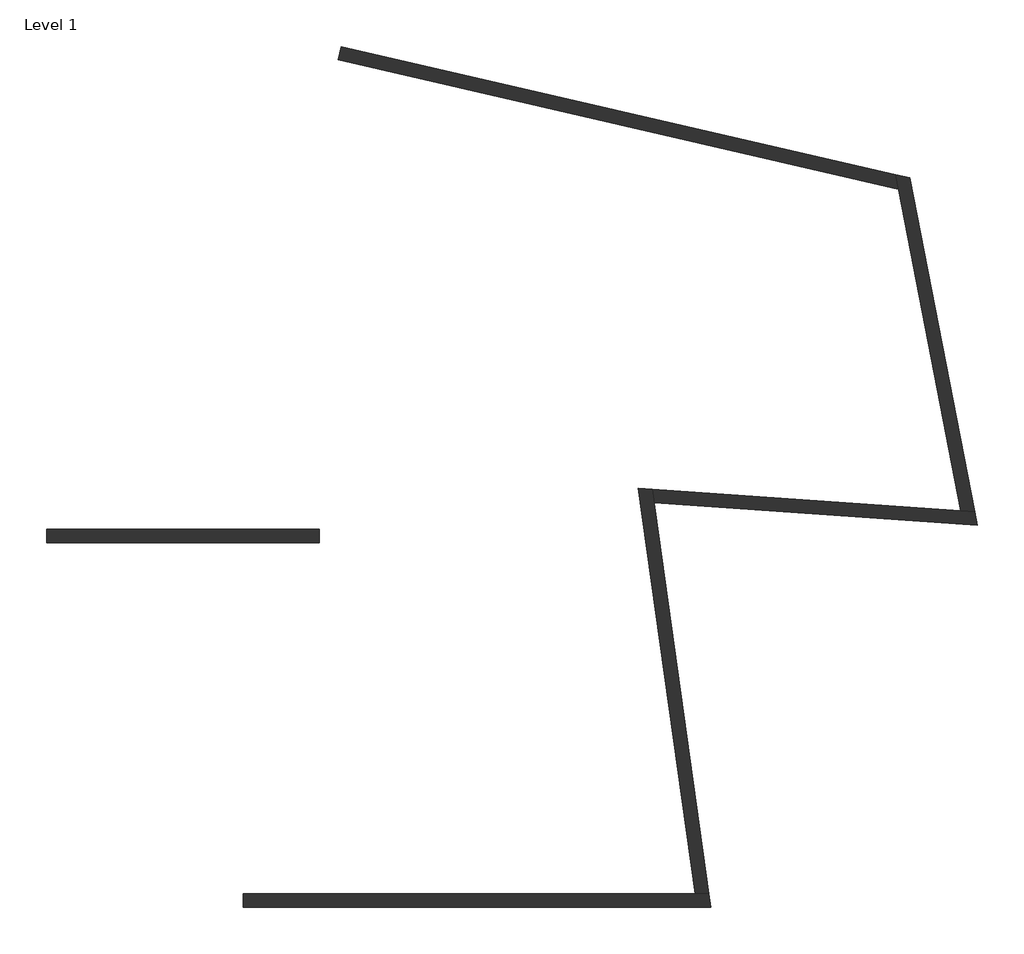
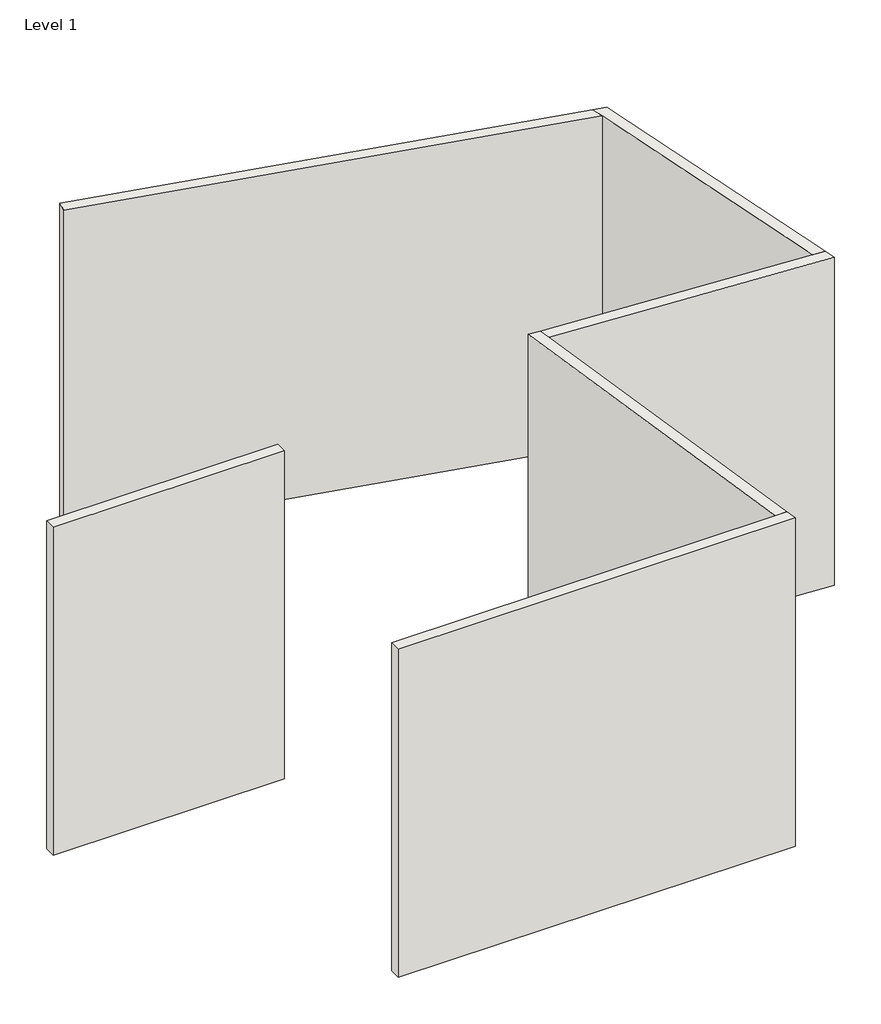
# One storey: 6 walls.
"""IFC4 building model written with IfcOpenShell, lengths in millimetres."""

from ifc_helpers import new_model, si_unit, origin, origin_with_axes, place, context, project, spatial, polyline, outline, extrude, faceted_brep, element, save

model = new_model("IFC4")

# Units and contexts
model_context = context("Model", 3, world=origin())
ifc_project = project(units=[si_unit("LENGTHUNIT", "METRE", prefix="MILLI")], contexts=[model_context])

# Site, building, storey
site = spatial("IfcSite", under=ifc_project)
building = spatial("IfcBuilding", under=site)
storey = spatial("IfcBuildingStorey", under=building, Name="Level 1", Elevation=0.0)

# Walls
placement = place(None, origin())
element("IfcWall", 1, at=placement, inside=storey, context=model_context, shape_type="SweptSolid", body=[
    extrude(outline(polyline([(-494.0157957, 1867.7177875), (-2932.4157957, 1867.7177875), (-2932.4157957, 1988.3677875), (-494.0157957, 1988.3677875), (-494.0157957, 1867.7177875)])), origin_with_axes(), (0.0, 0.0, 1.0), 3657.6),
])
element("IfcWall", 2, at=placement, inside=storey, context=model_context, shape_type="Brep", body=[
    faceted_brep([(-1175.3025627, -1389.4933944, 0.0), (3008.8934114, -1389.4933944, 0.0), (3008.8934114, -1389.4933944, 3657.6), (-1175.3025627, -1389.4933944, 3657.6), (-1175.3025627, -1268.8433944, 0.0), (-1175.3025627, -1268.8433944, 3657.6), (2870.1014631, -1268.8433944, 3657.6), (2991.9371597, -1268.8433944, 3657.6), (2991.9371597, -1268.8433944, 0.0), (2870.1014631, -1268.8433944, 0.0)], [[[0, 1, 2, 3]], [[4, 5, 6, 7, 8, 9]], [[1, 0, 4, 9, 8]], [[3, 2, 7, 6, 5]], [[0, 3, 5, 4]], [[2, 1, 8, 7]]]),
])
element("IfcWall", 3, at=placement, inside=storey, context=model_context, shape_type="Brep", body=[
    faceted_brep([(2991.9371597, -1268.8433944, 0.0), (2500.5635484, 2227.461522, 0.0), (2483.3971876, 2349.6065259, 0.0), (2483.3971876, 2349.6065259, 3657.6), (2500.5635484, 2227.461522, 3657.6), (2991.9371597, -1268.8433944, 3657.6), (2870.1014631, -1268.8433944, 0.0), (2870.1014631, -1268.8433944, 3657.6), (2360.352258, 2358.2106656, 3657.6), (2360.352258, 2358.2106656, 0.0)], [[[0, 1, 2, 3, 4, 5]], [[6, 7, 8, 9]], [[2, 1, 0, 6, 9]], [[5, 4, 3, 8, 7]], [[0, 5, 7, 6]], [[3, 2, 9, 8]]]),
])
element("IfcWall", 4, at=placement, inside=storey, context=model_context, shape_type="Brep", body=[
    faceted_brep([(2500.5635484, 2227.461522, 0.0), (5393.2218712, 2025.1871475, 0.0), (5393.2218712, 2025.1871475, 3657.6), (2500.5635484, 2227.461522, 3657.6), (2483.3971876, 2349.6065259, 0.0), (2483.3971876, 2349.6065259, 3657.6), (5244.786863, 2156.5113494, 3657.6), (5369.3886693, 2147.7983423, 3657.6), (5369.3886693, 2147.7983423, 0.0), (5244.786863, 2156.5113494, 0.0)], [[[0, 1, 2, 3]], [[4, 5, 6, 7, 8, 9]], [[1, 0, 4, 9, 8]], [[3, 2, 7, 6, 5]], [[0, 3, 5, 4]], [[2, 1, 8, 7]]]),
])
element("IfcWall", 5, at=placement, inside=storey, context=model_context, shape_type="Brep", body=[
    faceted_brep([(5369.3886693, 2147.7983423, 0.0), (4789.1601688, 5132.8152048, 0.0), (4789.1601688, 5132.8152048, 3657.6), (5369.3886693, 2147.7983423, 3657.6), (5244.786863, 2156.5113494, 0.0), (5244.786863, 2156.5113494, 3657.6), (4685.6769297, 5032.8826024, 3657.6), (4660.4771926, 5162.5240107, 3657.6), (4660.4771926, 5162.5240107, 0.0), (4685.6769297, 5032.8826024, 0.0)], [[[0, 1, 2, 3]], [[4, 5, 6, 7, 8, 9]], [[1, 0, 4, 9, 8]], [[3, 2, 7, 6, 5]], [[0, 3, 5, 4]], [[2, 1, 8, 7]]]),
])
element("IfcWall", 6, at=placement, inside=storey, context=model_context, shape_type="SweptSolid", body=[
    extrude(outline(polyline([(-297.8072061, 6307.2341609), (4660.4771926, 5162.5240107), (4685.6769297, 5032.8826024), (-324.9475508, 6189.6764126), (-297.8072061, 6307.2341609)])), origin_with_axes(), (0.0, 0.0, 1.0), 3657.6),
])

save(model, "model.ifc")
